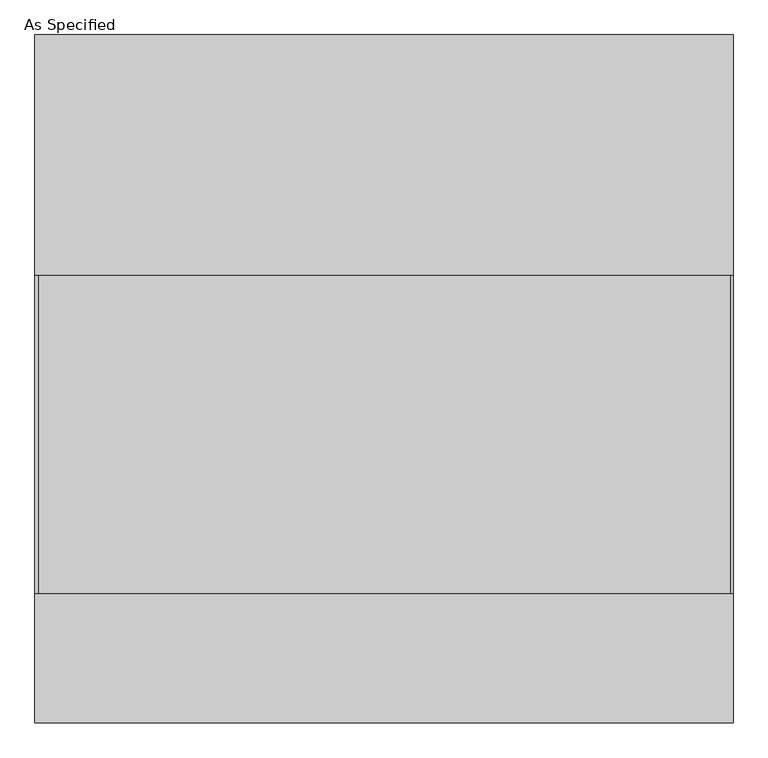
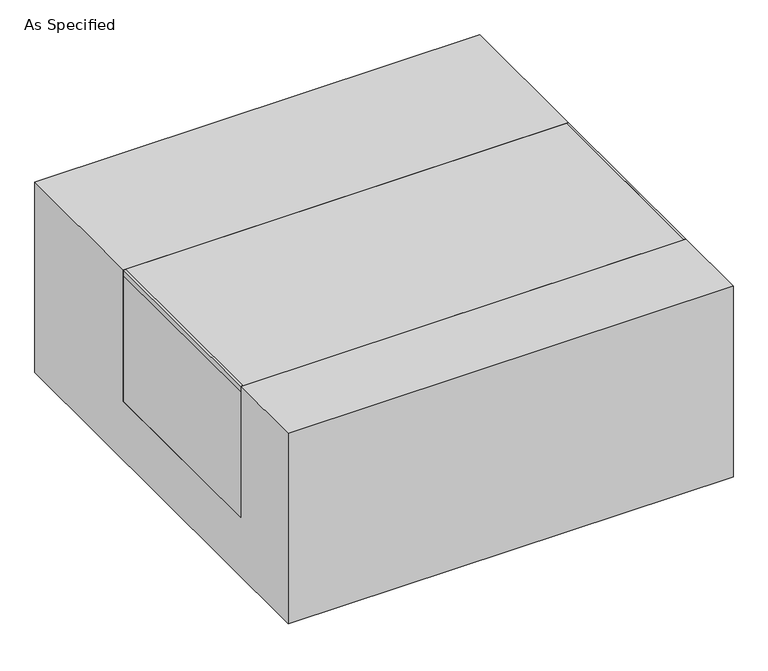
"""IFC4 building model written with IfcOpenShell, lengths in millimetres: proxy geometry, As Specified."""

from ifc_helpers import new_model, si_unit, point, frame, frame_2d, origin, place, context, project, spatial, polyline, circle_curve, trimmed, segment, composite_curve, outline, extrude, source, transform, mapped, element, save


def as_specified_68eb8ec0(model_context):
    return source(origin(), model_context, "Body", "SweptSolid", [
        extrude(outline(composite_curve([segment(trimmed(circle_curve(frame_2d((237.2125, -499.275)), 10.5), [point((237.2125, -509.775))], [point((237.2125, -488.775))], False, "CARTESIAN"), True, "CONTINUOUS"), segment(trimmed(circle_curve(frame_2d((237.2125, -499.275)), 10.5), [point((237.2125, -488.775))], [point((237.2125, -509.775))], False, "CARTESIAN"), True, "CONTINUOUS")], self_intersect=False)), frame((0.0, 0.0, -562.225), z_axis=(0.0, 0.0, 1.0), x_axis=(1.0, 0.0, 0.0)), (0.0, 0.0, 1.0), 32.0),
        extrude(outline(polyline([(-551.65625, -342.9), (-557.2125, -342.9), (-557.2125, 165.1), (-551.65625, 165.1), (-551.65625, -342.9)])), frame((0.0, 0.0, -39.6875), z_axis=(0.0, 0.0, 1.0), x_axis=(1.0, 0.0, 0.0)), (0.0, 0.0, 1.0), 14.2875),
        extrude(outline(polyline([(553.24375, 165.1), (557.2125, 165.1), (557.2125, -342.9), (553.24375, -342.9), (553.24375, 165.1)])), frame((0.0, 0.0, -39.6875), z_axis=(0.0, 0.0, 1.0), x_axis=(1.0, 0.0, 0.0)), (0.0, 0.0, 1.0), 14.2875),
        extrude(outline(polyline([(557.2125, 165.1), (557.2125, -342.9), (-557.2125, -342.9), (-557.2125, 165.1), (557.2125, 165.1)])), frame((0.0, 0.0, -373.0625), z_axis=(0.0, 0.0, 1.0), x_axis=(1.0, 0.0, 0.0)), (0.0, 0.0, 1.0), 347.6625),
        extrude(outline(polyline([(549.275, -25.4), (549.275, -530.225), (-549.275, -530.225), (-549.275, -25.4), (-342.9, -25.4), (-342.9, -373.0625), (165.1, -373.0625), (165.1, -25.4), (549.275, -25.4)])), frame((-557.2125, 0.0, 0.0), z_axis=(1.0, 0.0, 0.0), x_axis=(0.0, 1.0, 0.0)), (0.0, 0.0, 1.0), 1114.425),
    ])


if __name__ == "__main__":
    model = new_model("IFC4")
    model_context = context("Model", 3, world=origin())
    ifc_project = project(units=[si_unit("LENGTHUNIT", "METRE", prefix="MILLI")], contexts=[model_context])
    site = spatial("IfcSite", under=ifc_project)
    building = spatial("IfcBuilding", under=site)
    placement = place(None, origin())
    as_specified_shape = as_specified_68eb8ec0(model_context)
    element("IfcBuildingElementProxy", 1, Name="As Specified", ObjectType="As Specified", at=placement, inside=building, context=model_context, shape_type="MappedRepresentation", body=[
        mapped(as_specified_shape, transform((0.0, 0.0, 0.0), x_axis=(1.0, 0.0, 0.0), y_axis=(0.0, 1.0, 0.0), z_axis=(0.0, 0.0, 1.0))),
    ])
    save(model, "model.ifc")
